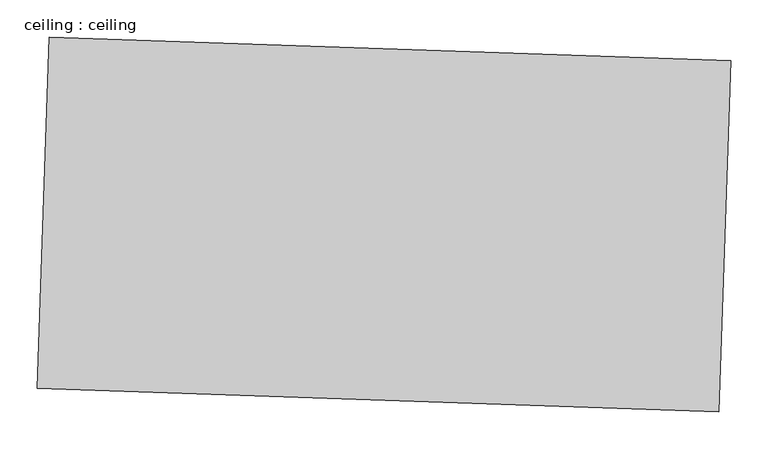
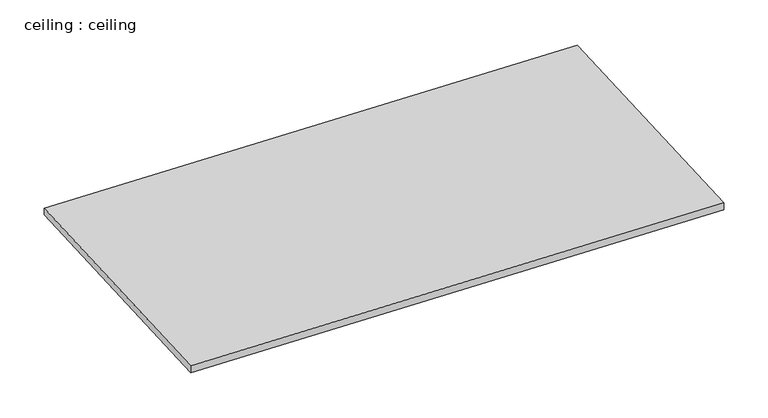
"""IFC4 building model written with IfcOpenShell, lengths in millimetres: proxy geometry, ceiling : ceiling."""

import ifcopenshell
import ifcopenshell.guid

model = None  # the IFC model being written
_history = None  # IfcOwnerHistory: only IFC2X3 demands one
_inside = {}  # id of a spatial element -> (the spatial element, [elements in it])
_under = {}  # id of a project, library or spatial element -> (it, [spatial elements below it])
_declared = {}  # id of a project -> (the project, [libraries it declares])
_typed = {}  # id of a type object -> (the type object, [elements of that type])
_made_of = {}  # id of a material, layer set ... -> (it, [elements and type objects made of it])


def new_model(schema):
    """Start an empty IFC model of exactly this schema.

    Asked for "IFC4X3", IfcOpenShell would pick the latest addendum, in which some entities
    have other attributes; the version numbers below select the first issue.
    IFC2X3 requires an IfcOwnerHistory on every rooted entity: one is made here for all.
    """
    global model, _history
    if schema == "IFC4X3":
        model = ifcopenshell.file(schema_version=(4, 3, 0, 0))
    else:
        model = ifcopenshell.file(schema=schema)
    _inside.clear()
    _under.clear()
    _declared.clear()
    _typed.clear()
    _made_of.clear()
    _history = None
    if model.schema == "IFC2X3":
        org = make("IfcOrganization", Name="unknown")
        user = make(
            "IfcPersonAndOrganization",
            ThePerson=make("IfcPerson", FamilyName="unknown"),
            TheOrganization=org,
        )
        app = make(
            "IfcApplication",
            ApplicationDeveloper=org,
            Version="unknown",
            ApplicationFullName="unknown",
            ApplicationIdentifier="unknown",
        )
        _history = make(
            "IfcOwnerHistory",
            OwningUser=user,
            OwningApplication=app,
            ChangeAction="ADDED",
            CreationDate=0,
        )
    return model


def make(cls, **values):
    """One entity of the class cls with the attributes given. An attribute that is None is left unset."""
    return model.create_entity(
        cls, **{name: value for name, value in values.items() if value is not None}
    )


def rooted(cls, **values):
    """An entity with a GlobalId (a new one), such as an element, a storey or a relation."""
    return make(cls, GlobalId=ifcopenshell.guid.new(), OwnerHistory=_history, **values)


def si_unit(unit_type, name, prefix=None):
    """IfcSIUnit, for example si_unit("LENGTHUNIT", "METRE", prefix="MILLI")."""
    return make("IfcSIUnit", UnitType=unit_type, Prefix=prefix, Name=name)


def assignment(units):
    """IfcUnitAssignment: the units of a project."""
    return None if units is None else make("IfcUnitAssignment", Units=units)


def point(xyz):
    """IfcCartesianPoint."""
    return None if xyz is None else make("IfcCartesianPoint", Coordinates=xyz)


def direction(xyz):
    """IfcDirection."""
    return None if xyz is None else make("IfcDirection", DirectionRatios=xyz)


def frame(location, z_axis=None, x_axis=None):
    """IfcAxis2Placement3D, a coordinate frame: its origin and axes. An axis left out is left unset."""
    return make(
        "IfcAxis2Placement3D",
        Location=point(location),
        Axis=direction(z_axis),
        RefDirection=direction(x_axis),
    )


def origin():
    """The frame at (0, 0, 0) with its axes left unset."""
    return frame((0.0, 0.0, 0.0))


def place(relative_to, where):
    """IfcLocalPlacement: puts the frame where relative to a parent placement (None: the world)."""
    return make(
        "IfcLocalPlacement", PlacementRelTo=relative_to, RelativePlacement=where
    )


def context(
    kind, dimensions, precision=None, world=None, true_north=None, identifier=None
):
    """IfcGeometricRepresentationContext, for example the 3D "Model" context."""
    return make(
        "IfcGeometricRepresentationContext",
        ContextIdentifier=identifier,
        ContextType=kind,
        CoordinateSpaceDimension=dimensions,
        Precision=precision,
        WorldCoordinateSystem=world,
        TrueNorth=true_north,
    )


def project(units=None, contexts=None):
    """IfcProject with its units and contexts."""
    return rooted(
        "IfcProject",
        Name="project",
        RepresentationContexts=contexts,
        UnitsInContext=assignment(units),
    )


def spatial(cls, under=None, at=None, **own):
    """A site, building, storey or space (cls), placed at a placement, below another one or the project."""
    s = rooted(cls, ObjectPlacement=at, **own)
    if under is not None:
        _under.setdefault(under.id(), (under, []))[1].append(s)
    return s


def polyline(points):
    """IfcPolyline through the points."""
    return make("IfcPolyline", Points=[point(p) for p in points])


def outline(outer, holes=None, kind="AREA"):
    """IfcArbitraryClosedProfileDef: a profile drawn as a closed curve; with holes, ...WithVoids."""
    if holes is None:
        return make("IfcArbitraryClosedProfileDef", ProfileType=kind, OuterCurve=outer)
    return make(
        "IfcArbitraryProfileDefWithVoids",
        ProfileType=kind,
        OuterCurve=outer,
        InnerCurves=holes,
    )


def extrude(swept, where, along, depth):
    """IfcExtrudedAreaSolid: the profile swept, set in the frame where, extruded along a direction by depth."""
    return make(
        "IfcExtrudedAreaSolid",
        SweptArea=swept,
        Position=where,
        ExtrudedDirection=direction(along),
        Depth=depth,
    )


def shape(context_of_items, identifier, shape_type, items):
    """IfcShapeRepresentation: the items that make up one representation, for example the "Body"."""
    return make(
        "IfcShapeRepresentation",
        ContextOfItems=context_of_items,
        RepresentationIdentifier=identifier,
        RepresentationType=shape_type,
        Items=items,
    )


def source(mapping_origin, context_of_items, identifier, shape_type, items):
    """IfcRepresentationMap: a shape defined once, which mapped items show again and again."""
    return make(
        "IfcRepresentationMap",
        MappingOrigin=mapping_origin,
        MappedRepresentation=shape(context_of_items, identifier, shape_type, items),
    )


def transform(
    local_origin,
    x_axis=None,
    y_axis=None,
    z_axis=None,
    scale=None,
    scale2=None,
    scale3=None,
    uniform=True,
):
    """IfcCartesianTransformationOperator3D, or its non-uniform kind. x_axis, y_axis, z_axis: its Axis1, 2, 3."""
    if uniform:
        return make(
            "IfcCartesianTransformationOperator3D",
            Axis1=direction(x_axis),
            Axis2=direction(y_axis),
            LocalOrigin=point(local_origin),
            Scale=scale,
            Axis3=direction(z_axis),
        )
    return make(
        "IfcCartesianTransformationOperator3DnonUniform",
        Axis1=direction(x_axis),
        Axis2=direction(y_axis),
        LocalOrigin=point(local_origin),
        Scale=scale,
        Axis3=direction(z_axis),
        Scale2=scale2,
        Scale3=scale3,
    )


def mapped(mapping_source, mapping_target):
    """IfcMappedItem: shows the shape of a source again, moved by a transform."""
    return make(
        "IfcMappedItem", MappingSource=mapping_source, MappingTarget=mapping_target
    )


def made_of(thing, what):
    """Note that an element or type object is made of a material, layer set ...; save() writes the relation."""
    if what is not None:
        _made_of.setdefault(what.id(), (what, []))[1].append(thing)
    return thing


def element(
    cls,
    number,
    at=None,
    inside=None,
    cuts=None,
    type_object=None,
    material=None,
    context=None,
    identifier="Body",
    shape_type=None,
    held_by="IfcProductDefinitionShape",
    body=None,
    shapes=None,
    **own,
):
    """One element of the class cls, such as IfcWall. Its Tag is "e" and its number.

    at: its placement. inside: the storey or other place that contains it. cuts: it is an
    opening in that element (IfcRelVoidsElement). A single representation is given by context,
    identifier, shape_type and body (its items); several are given by shapes. held_by: the class
    of the entity that holds the representations. save() writes the other relations.
    """
    e = rooted(cls, Tag="e%d" % number, ObjectPlacement=at, **own)
    if body is not None:
        shapes = [shape(context, identifier, shape_type, body)]
    if shapes is not None:
        e.Representation = make(held_by, Representations=shapes)
    if inside is not None:
        _inside.setdefault(inside.id(), (inside, []))[1].append(e)
    if cuts is not None:
        rooted(
            "IfcRelVoidsElement", RelatingBuildingElement=cuts, RelatedOpeningElement=e
        )
    if type_object is not None:
        _typed.setdefault(type_object.id(), (type_object, []))[1].append(e)
    return made_of(e, material)


def aggregate(whole, parts):
    """IfcRelAggregates: a whole, such as a stair, and the parts it consists of."""
    return rooted("IfcRelAggregates", RelatingObject=whole, RelatedObjects=parts)


def save(model, path):
    """Write the relations noted so far, then the file.

    IfcRelAggregates (storeys below a building ...), IfcRelContainedInSpatialStructure (elements
    in a storey), IfcRelDefinesByType, IfcRelAssociatesMaterial and IfcRelDeclares: one each for
    every whole, place, type object, material and project.
    """
    for whole, parts in _under.values():
        aggregate(whole, parts)
    for where, things in _inside.values():
        rooted(
            "IfcRelContainedInSpatialStructure",
            RelatedElements=things,
            RelatingStructure=where,
        )
    for kind, things in _typed.values():
        rooted("IfcRelDefinesByType", RelatedObjects=things, RelatingType=kind)
    for what, things in _made_of.values():
        rooted("IfcRelAssociatesMaterial", RelatedObjects=things, RelatingMaterial=what)
    for by, libraries in _declared.values():
        rooted("IfcRelDeclares", RelatingContext=by, RelatedDefinitions=libraries)
    model.write(path)


def ceiling_ceiling_94403bef(model_context):
    return source(origin(), model_context, "Body", "SweptSolid", [
        extrude(outline(polyline([(34294.2368979, -17233.6346715), (34278.0990263, -17705.2016222), (33364.2339978, -17673.9275126), (33380.3718695, -17202.3605619), (34294.2368979, -17233.6346715)])), frame((0.0, 0.0, 3298.2590093), z_axis=(0.0, 0.0, 1.0), x_axis=(1.0, 0.0, 0.0)), (0.0, 0.0, 1.0), 12.6548302),
    ])


if __name__ == "__main__":
    model = new_model("IFC4")
    model_context = context("Model", 3, world=origin())
    ifc_project = project(units=[si_unit("LENGTHUNIT", "METRE", prefix="MILLI")], contexts=[model_context])
    site = spatial("IfcSite", under=ifc_project)
    building = spatial("IfcBuilding", under=site)
    placement = place(None, origin())
    ceiling_ceiling_shape = ceiling_ceiling_94403bef(model_context)
    element("IfcBuildingElementProxy", 1, Name="ceiling : ceiling", ObjectType="ceiling : ceiling", at=placement, inside=building, context=model_context, shape_type="MappedRepresentation", body=[
        mapped(ceiling_ceiling_shape, transform((0.0, 0.0, 0.0), x_axis=(1.0, 0.0, 0.0), y_axis=(0.0, 1.0, 0.0), z_axis=(0.0, 0.0, 1.0))),
    ])
    save(model, "model.ifc")
